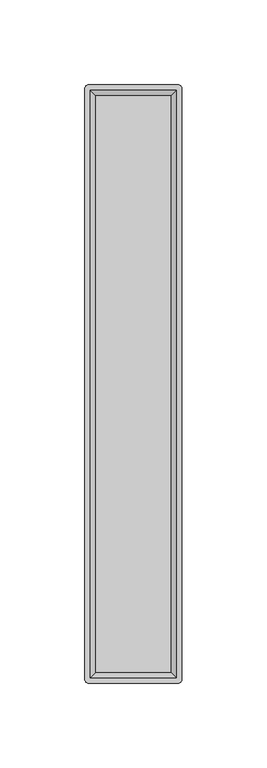
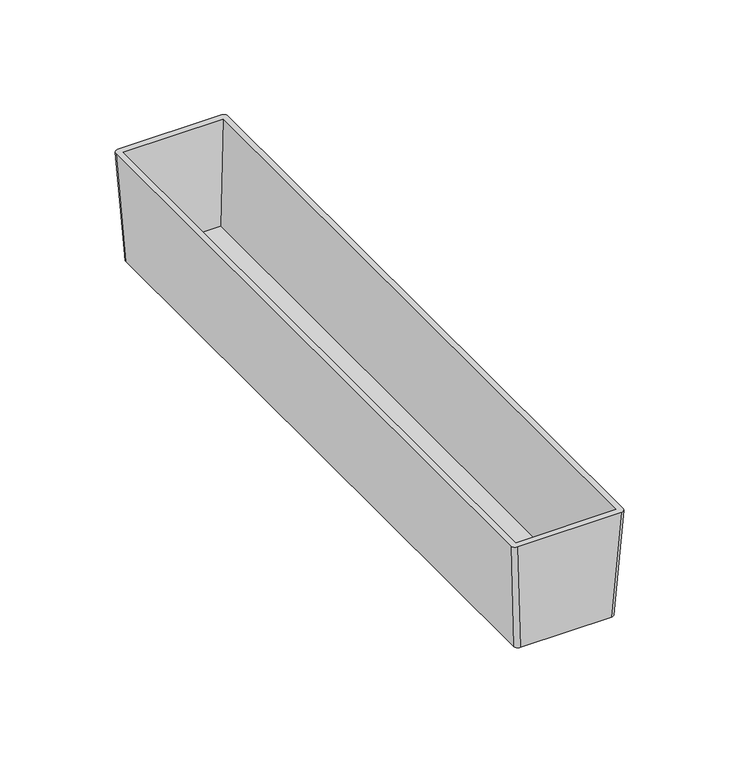
"""IFC4 building model written with IfcOpenShell, lengths in millimetres: furniture geometry."""

from ifc_helpers import new_model, si_unit, point, frame, origin, place, context, project, spatial, circle_curve, trimmed, source, transform, mapped, element, save
from ifc_brep_helpers import plane_surface, extruded_surface, advanced_brep


def furniture_34db69fd(model_context):
    return source(origin(), model_context, "Body", "AdvancedBrep", [
        advanced_brep(
        [(23.1775, 173.0375, 246.07266), (25.4, 170.815, 246.07266), (25.4, -170.815, 246.07266), (23.1775, -173.0375, 246.07266), (-23.1775, -173.0375, 246.07266), (-25.4, -170.815, 246.07266), (-25.4, 170.815, 246.07266), (-23.1775, 173.0375, 246.07266), (26.3525, 176.2125, 303.22266), (-26.3525, 176.2125, 303.22266), (-28.575, 173.99, 303.22266), (-28.575, -173.99, 303.22266), (-26.3525, -176.2125, 303.22266), (26.3525, -176.2125, 303.22266), (28.575, -173.99, 303.22266), (28.575, 173.99, 303.22266), (-25.4, 173.0375, 303.22266), (25.4, 173.0375, 303.22266), (25.4, -173.0375, 303.22266), (-25.4, -173.0375, 303.22266), (22.225, 169.8625, 248.61266), (-22.225, 169.8625, 248.61266), (-22.225, -169.8625, 248.61266), (22.225, -169.8625, 248.61266)],
        [
            (0, 1, circle_curve(frame((23.1775, 170.815, 246.07266), z_axis=(0.0, 0.0, -1.0), x_axis=(-1.0, 0.0, 0.0)), 2.2225)),
            (1, 2),
            (2, 3, circle_curve(frame((23.1775, -170.815, 246.07266), z_axis=(0.0, 0.0, -1.0), x_axis=(-1.0, 0.0, 0.0)), 2.2225)),
            (3, 4),
            (4, 5, circle_curve(frame((-23.1775, -170.815, 246.07266), z_axis=(0.0, 0.0, -1.0), x_axis=(-1.0, 0.0, 0.0)), 2.2225)),
            (5, 6),
            (6, 7, circle_curve(frame((-23.1775, 170.815, 246.07266), z_axis=(0.0, 0.0, -1.0), x_axis=(-1.0, 0.0, 0.0)), 2.2225)),
            (7, 0),
            (8, 9),
            (9, 10, circle_curve(frame((-26.3525, 173.99, 303.22266), z_axis=(0.0, 0.0, 1.0), x_axis=(-1.0, 0.0, 0.0)), 2.2225)),
            (10, 11),
            (11, 12, circle_curve(frame((-26.3525, -173.99, 303.22266), z_axis=(0.0, 0.0, 1.0), x_axis=(-1.0, 0.0, 0.0)), 2.2225)),
            (12, 13),
            (13, 14, circle_curve(frame((26.3525, -173.99, 303.22266), z_axis=(0.0, 0.0, 1.0), x_axis=(-1.0, 0.0, 0.0)), 2.2225)),
            (14, 15),
            (15, 8, circle_curve(frame((26.3525, 173.99, 303.22266), z_axis=(0.0, 0.0, 1.0), x_axis=(-1.0, 0.0, 0.0)), 2.2225)),
            (16, 17),
            (17, 18),
            (18, 19),
            (19, 16),
            (7, 9),
            (8, 0),
            (6, 10),
            (5, 11),
            (4, 12),
            (3, 13),
            (2, 14),
            (1, 15),
            (20, 21),
            (21, 22),
            (22, 23),
            (23, 20),
            (20, 17),
            (16, 21),
            (19, 22),
            (18, 23),
        ],
        [
            plane_surface(frame((0.0, 0.0, 246.07266), z_axis=(0.0, 0.0, -1.0), x_axis=(-1.0, 0.0, 0.0))),
            plane_surface(frame((0.0, 0.0, 303.22266), z_axis=(0.0, 0.0, 1.0), x_axis=(-1.0, 0.0, 0.0))),
            plane_surface(frame((0.0, 176.2125, 303.22266), z_axis=(0.0, 0.9984603532054985, -0.055470019620974004), x_axis=(1.0, 0.0, 0.0))),
            extruded_surface(trimmed(circle_curve(frame((-26.3525, 173.99, 303.22266), z_axis=(0.0, 0.0, -1.0), x_axis=(-1.0, 0.0, 0.0)), 2.2225), [point((-28.575, 173.99, 303.22266))], [point((-26.3525, 176.2125, 303.22266))], True, "CARTESIAN"), (3.1750000000000007, -3.1750000000000114, -57.150000000000006), 57.326117520725234),
            plane_surface(frame((-28.575, 0.0, 303.22266), z_axis=(-0.9984603532054228, 0.0, -0.05547001962233686), x_axis=(0.0, 1.0, 0.0))),
            extruded_surface(trimmed(circle_curve(frame((-26.3525, -173.99, 303.22266), z_axis=(0.0, 0.0, -1.0), x_axis=(-1.0, 0.0, 0.0)), 2.2225), [point((-26.3525, -176.2125, 303.22266))], [point((-28.575, -173.99, 303.22266))], True, "CARTESIAN"), (3.1750000000000007, 3.1750000000000114, -57.150000000000006), 57.326117520725234),
            plane_surface(frame((0.0, -176.2125, 303.22266), z_axis=(0.0, -0.9984603532054979, -0.05547001962098697), x_axis=(-1.0, 0.0, 0.0))),
            extruded_surface(trimmed(circle_curve(frame((26.3525, -173.99, 303.22266), z_axis=(0.0, 0.0, -1.0), x_axis=(-1.0, 0.0, 0.0)), 2.2225), [point((28.575, -173.99, 303.22266))], [point((26.3525, -176.2125, 303.22266))], True, "CARTESIAN"), (-3.1750000000000007, 3.1750000000000114, -57.150000000000006), 57.326117520725234),
            plane_surface(frame((28.575, 0.0, 303.22266), z_axis=(0.9984603532054152, 0.0, -0.055470019622474394), x_axis=(0.0, -1.0, 0.0))),
            extruded_surface(trimmed(circle_curve(frame((26.3525, 173.99, 303.22266), z_axis=(0.0, 0.0, -1.0), x_axis=(-1.0, 0.0, 0.0)), 2.2225), [point((26.3525, 176.2125, 303.22266))], [point((28.575, 173.99, 303.22266))], True, "CARTESIAN"), (-3.1750000000000007, -3.1750000000000114, -57.150000000000006), 57.326117520725234),
            plane_surface(frame((0.0, 0.0, 248.61266), z_axis=(0.0, 0.0, 1.0), x_axis=(-1.0, 0.0, 0.0))),
            plane_surface(frame((0.0, 173.0375, 303.22266), z_axis=(0.0, -0.9983141698791151, 0.05804152150463695), x_axis=(1.0, 0.0, 0.0))),
            plane_surface(frame((-25.4, 0.0, 303.22266), z_axis=(0.9983141698791163, 0.0, 0.05804152150461953), x_axis=(0.0, 1.0, 0.0))),
            plane_surface(frame((0.0, -173.0375, 303.22266), z_axis=(0.0, 0.9983141698789251, 0.0580415215079058), x_axis=(-1.0, 0.0, 0.0))),
            plane_surface(frame((25.4, 0.0, 303.22266), z_axis=(-0.998314169879097, 0.0, 0.05804152150494846), x_axis=(0.0, -1.0, 0.0))),
        ],
        [
            (0, [[1, 2, 3, 4, 5, 6, 7, 8]]),
            (1, [[9, 10, 11, 12, 13, 14, 15, 16], [17, 18, 19, 20]]),
            (2, [[-8, 21, -9, 22]]),
            (3, [[-7, 23, -10, -21]]),
            (4, [[-6, 24, -11, -23]]),
            (5, [[-5, 25, -12, -24]]),
            (6, [[-4, 26, -13, -25]]),
            (7, [[-3, 27, -14, -26]]),
            (8, [[-2, 28, -15, -27]]),
            (9, [[-1, -22, -16, -28]]),
            (10, [[29, 30, 31, 32]]),
            (11, [[-29, 33, -17, 34]]),
            (12, [[-30, -34, -20, 35]]),
            (13, [[-31, -35, -19, 36]]),
            (14, [[-32, -36, -18, -33]]),
        ],
    ),
    ])


if __name__ == "__main__":
    model = new_model("IFC4")
    model_context = context("Model", 3, world=origin())
    ifc_project = project(units=[si_unit("LENGTHUNIT", "METRE", prefix="MILLI")], contexts=[model_context])
    site = spatial("IfcSite", under=ifc_project)
    building = spatial("IfcBuilding", under=site)
    placement = place(None, origin())
    furniture_shape = furniture_34db69fd(model_context)
    element("IfcFurniture", 1, at=placement, inside=building, context=model_context, shape_type="MappedRepresentation", body=[
        mapped(furniture_shape, transform((0.0, 0.0, 0.0), x_axis=(1.0, 0.0, 0.0), y_axis=(0.0, 1.0, 0.0), z_axis=(0.0, 0.0, 1.0))),
    ])
    save(model, "model.ifc")
